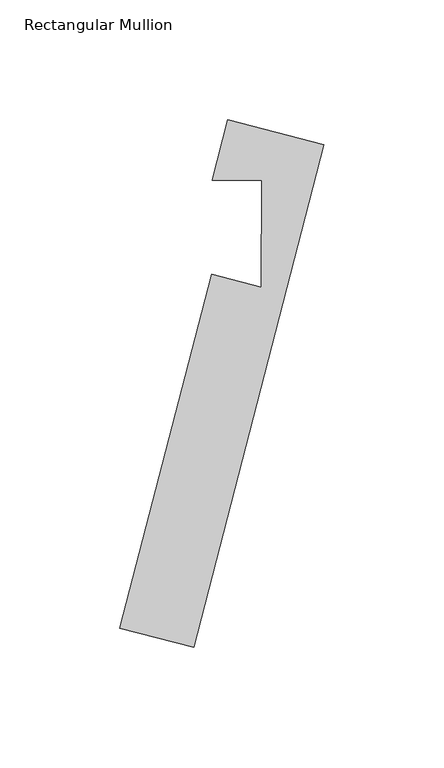
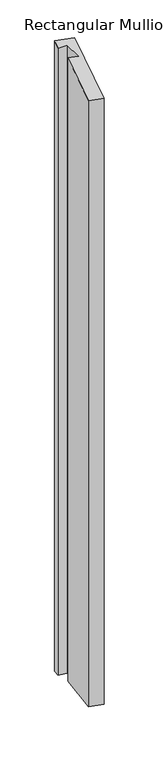
"""IFC4 building model written with IfcOpenShell, lengths in millimetres: member geometry, Rectangular Mullion."""

import ifcopenshell
import ifcopenshell.guid

model = None  # the IFC model being written
_history = None  # IfcOwnerHistory: only IFC2X3 demands one
_inside = {}  # id of a spatial element -> (the spatial element, [elements in it])
_under = {}  # id of a project, library or spatial element -> (it, [spatial elements below it])
_declared = {}  # id of a project -> (the project, [libraries it declares])
_typed = {}  # id of a type object -> (the type object, [elements of that type])
_made_of = {}  # id of a material, layer set ... -> (it, [elements and type objects made of it])


def new_model(schema):
    """Start an empty IFC model of exactly this schema.

    Asked for "IFC4X3", IfcOpenShell would pick the latest addendum, in which some entities
    have other attributes; the version numbers below select the first issue.
    IFC2X3 requires an IfcOwnerHistory on every rooted entity: one is made here for all.
    """
    global model, _history
    if schema == "IFC4X3":
        model = ifcopenshell.file(schema_version=(4, 3, 0, 0))
    else:
        model = ifcopenshell.file(schema=schema)
    _inside.clear()
    _under.clear()
    _declared.clear()
    _typed.clear()
    _made_of.clear()
    _history = None
    if model.schema == "IFC2X3":
        org = make("IfcOrganization", Name="unknown")
        user = make(
            "IfcPersonAndOrganization",
            ThePerson=make("IfcPerson", FamilyName="unknown"),
            TheOrganization=org,
        )
        app = make(
            "IfcApplication",
            ApplicationDeveloper=org,
            Version="unknown",
            ApplicationFullName="unknown",
            ApplicationIdentifier="unknown",
        )
        _history = make(
            "IfcOwnerHistory",
            OwningUser=user,
            OwningApplication=app,
            ChangeAction="ADDED",
            CreationDate=0,
        )
    return model


def make(cls, **values):
    """One entity of the class cls with the attributes given. An attribute that is None is left unset."""
    return model.create_entity(
        cls, **{name: value for name, value in values.items() if value is not None}
    )


def rooted(cls, **values):
    """An entity with a GlobalId (a new one), such as an element, a storey or a relation."""
    return make(cls, GlobalId=ifcopenshell.guid.new(), OwnerHistory=_history, **values)


def si_unit(unit_type, name, prefix=None):
    """IfcSIUnit, for example si_unit("LENGTHUNIT", "METRE", prefix="MILLI")."""
    return make("IfcSIUnit", UnitType=unit_type, Prefix=prefix, Name=name)


def assignment(units):
    """IfcUnitAssignment: the units of a project."""
    return None if units is None else make("IfcUnitAssignment", Units=units)


def point(xyz):
    """IfcCartesianPoint."""
    return None if xyz is None else make("IfcCartesianPoint", Coordinates=xyz)


def direction(xyz):
    """IfcDirection."""
    return None if xyz is None else make("IfcDirection", DirectionRatios=xyz)


def frame(location, z_axis=None, x_axis=None):
    """IfcAxis2Placement3D, a coordinate frame: its origin and axes. An axis left out is left unset."""
    return make(
        "IfcAxis2Placement3D",
        Location=point(location),
        Axis=direction(z_axis),
        RefDirection=direction(x_axis),
    )


def origin():
    """The frame at (0, 0, 0) with its axes left unset."""
    return frame((0.0, 0.0, 0.0))


def place(relative_to, where):
    """IfcLocalPlacement: puts the frame where relative to a parent placement (None: the world)."""
    return make(
        "IfcLocalPlacement", PlacementRelTo=relative_to, RelativePlacement=where
    )


def context(
    kind, dimensions, precision=None, world=None, true_north=None, identifier=None
):
    """IfcGeometricRepresentationContext, for example the 3D "Model" context."""
    return make(
        "IfcGeometricRepresentationContext",
        ContextIdentifier=identifier,
        ContextType=kind,
        CoordinateSpaceDimension=dimensions,
        Precision=precision,
        WorldCoordinateSystem=world,
        TrueNorth=true_north,
    )


def project(units=None, contexts=None):
    """IfcProject with its units and contexts."""
    return rooted(
        "IfcProject",
        Name="project",
        RepresentationContexts=contexts,
        UnitsInContext=assignment(units),
    )


def spatial(cls, under=None, at=None, **own):
    """A site, building, storey or space (cls), placed at a placement, below another one or the project."""
    s = rooted(cls, ObjectPlacement=at, **own)
    if under is not None:
        _under.setdefault(under.id(), (under, []))[1].append(s)
    return s


def faces_of(points, faces, orient=None, outer=None):
    """IfcFace entities. A face is a list of loops; a loop is a list of indices into points, from 0.

    orient and outer hold one flag for each loop. By default every Orientation is true, the
    first loop of a face is its IfcFaceOuterBound and the others are IfcFaceBound.
    """
    made = []
    for i, loops in enumerate(faces):
        bounds = []
        for j, loop in enumerate(loops):
            is_outer = j == 0 if outer is None else outer[i][j]
            bounds.append(
                make(
                    "IfcFaceOuterBound" if is_outer else "IfcFaceBound",
                    Bound=make("IfcPolyLoop", Polygon=[points[k] for k in loop]),
                    Orientation=True if orient is None else orient[i][j],
                )
            )
        made.append(make("IfcFace", Bounds=bounds))
    return made


def faceted_brep(points, faces, orient=None, outer=None, voids=None):
    """IfcFacetedBrep: a solid bounded by flat faces; with voids (closed shells), ...WithVoids."""
    shared = [point(p) for p in points]
    hull = make("IfcClosedShell", CfsFaces=faces_of(shared, faces, orient, outer))
    if voids is None:
        return make("IfcFacetedBrep", Outer=hull)
    return make(
        "IfcFacetedBrepWithVoids",
        Outer=hull,
        Voids=[
            make(cls, CfsFaces=faces_of(shared, fs, o, b)) for cls, fs, o, b in voids
        ],
    )


def shape(context_of_items, identifier, shape_type, items):
    """IfcShapeRepresentation: the items that make up one representation, for example the "Body"."""
    return make(
        "IfcShapeRepresentation",
        ContextOfItems=context_of_items,
        RepresentationIdentifier=identifier,
        RepresentationType=shape_type,
        Items=items,
    )


def source(mapping_origin, context_of_items, identifier, shape_type, items):
    """IfcRepresentationMap: a shape defined once, which mapped items show again and again."""
    return make(
        "IfcRepresentationMap",
        MappingOrigin=mapping_origin,
        MappedRepresentation=shape(context_of_items, identifier, shape_type, items),
    )


def transform(
    local_origin,
    x_axis=None,
    y_axis=None,
    z_axis=None,
    scale=None,
    scale2=None,
    scale3=None,
    uniform=True,
):
    """IfcCartesianTransformationOperator3D, or its non-uniform kind. x_axis, y_axis, z_axis: its Axis1, 2, 3."""
    if uniform:
        return make(
            "IfcCartesianTransformationOperator3D",
            Axis1=direction(x_axis),
            Axis2=direction(y_axis),
            LocalOrigin=point(local_origin),
            Scale=scale,
            Axis3=direction(z_axis),
        )
    return make(
        "IfcCartesianTransformationOperator3DnonUniform",
        Axis1=direction(x_axis),
        Axis2=direction(y_axis),
        LocalOrigin=point(local_origin),
        Scale=scale,
        Axis3=direction(z_axis),
        Scale2=scale2,
        Scale3=scale3,
    )


def mapped(mapping_source, mapping_target):
    """IfcMappedItem: shows the shape of a source again, moved by a transform."""
    return make(
        "IfcMappedItem", MappingSource=mapping_source, MappingTarget=mapping_target
    )


def made_of(thing, what):
    """Note that an element or type object is made of a material, layer set ...; save() writes the relation."""
    if what is not None:
        _made_of.setdefault(what.id(), (what, []))[1].append(thing)
    return thing


def element(
    cls,
    number,
    at=None,
    inside=None,
    cuts=None,
    type_object=None,
    material=None,
    context=None,
    identifier="Body",
    shape_type=None,
    held_by="IfcProductDefinitionShape",
    body=None,
    shapes=None,
    **own,
):
    """One element of the class cls, such as IfcWall. Its Tag is "e" and its number.

    at: its placement. inside: the storey or other place that contains it. cuts: it is an
    opening in that element (IfcRelVoidsElement). A single representation is given by context,
    identifier, shape_type and body (its items); several are given by shapes. held_by: the class
    of the entity that holds the representations. save() writes the other relations.
    """
    e = rooted(cls, Tag="e%d" % number, ObjectPlacement=at, **own)
    if body is not None:
        shapes = [shape(context, identifier, shape_type, body)]
    if shapes is not None:
        e.Representation = make(held_by, Representations=shapes)
    if inside is not None:
        _inside.setdefault(inside.id(), (inside, []))[1].append(e)
    if cuts is not None:
        rooted(
            "IfcRelVoidsElement", RelatingBuildingElement=cuts, RelatedOpeningElement=e
        )
    if type_object is not None:
        _typed.setdefault(type_object.id(), (type_object, []))[1].append(e)
    return made_of(e, material)


def aggregate(whole, parts):
    """IfcRelAggregates: a whole, such as a stair, and the parts it consists of."""
    return rooted("IfcRelAggregates", RelatingObject=whole, RelatedObjects=parts)


def save(model, path):
    """Write the relations noted so far, then the file.

    IfcRelAggregates (storeys below a building ...), IfcRelContainedInSpatialStructure (elements
    in a storey), IfcRelDefinesByType, IfcRelAssociatesMaterial and IfcRelDeclares: one each for
    every whole, place, type object, material and project.
    """
    for whole, parts in _under.values():
        aggregate(whole, parts)
    for where, things in _inside.values():
        rooted(
            "IfcRelContainedInSpatialStructure",
            RelatedElements=things,
            RelatingStructure=where,
        )
    for kind, things in _typed.values():
        rooted("IfcRelDefinesByType", RelatedObjects=things, RelatingType=kind)
    for what, things in _made_of.values():
        rooted("IfcRelAssociatesMaterial", RelatedObjects=things, RelatingMaterial=what)
    for by, libraries in _declared.values():
        rooted("IfcRelDeclares", RelatingContext=by, RelatedDefinitions=libraries)
    model.write(path)


def rectangular_mullion_a11164d2(model_context):
    return source(origin(), model_context, "Body", "Brep", [
        faceted_brep([(-32.204008, 2.2876703, 0.0), (-70.3876716, -145.251368, 0.0), (-39.6503719, -153.2062979, 0.0), (14.5676652, 56.2884519, 0.0), (-25.3903068, 66.6297268, 0.0), (-31.8795099, 41.5558942, 0.0), (-11.378964, 41.5442656, 0.0), (-11.404285, -3.095377, 0.0), (-32.204008, 2.2876703, -1496.8172086), (-70.3876716, -145.251368, -1455.9817516), (-39.6503719, -153.2062979, -1455.9818732), (14.5676652, 56.2884519, -1513.9652648), (-25.3903068, 66.6297268, -1513.9651067), (-31.8795099, 41.5558942, -1507.025239), (-11.378964, 41.5442656, -1508.3985903), (-11.404285, -3.095377, -1496.8172908)], [[[0, 1, 2, 3, 4, 5, 6, 7]], [[1, 0, 8, 9]], [[2, 1, 9, 10]], [[3, 2, 10, 11]], [[4, 3, 11, 12]], [[5, 4, 12, 13]], [[6, 5, 13, 14]], [[7, 6, 14, 15]], [[0, 7, 15, 8]], [[8, 15, 14, 13, 12, 11, 10, 9]]]),
    ])


if __name__ == "__main__":
    model = new_model("IFC4")
    model_context = context("Model", 3, world=origin())
    ifc_project = project(units=[si_unit("LENGTHUNIT", "METRE", prefix="MILLI")], contexts=[model_context])
    site = spatial("IfcSite", under=ifc_project)
    building = spatial("IfcBuilding", under=site)
    placement = place(None, origin())
    rectangular_mullion_shape = rectangular_mullion_a11164d2(model_context)
    element("IfcMember", 1, ObjectType="Rectangular Mullion", at=placement, inside=building, context=model_context, shape_type="MappedRepresentation", body=[
        mapped(rectangular_mullion_shape, transform((0.0, 0.0, 0.0), x_axis=(1.0, 0.0, 0.0), y_axis=(0.0, 1.0, 0.0), z_axis=(0.0, 0.0, 1.0))),
    ])
    save(model, "model.ifc")
